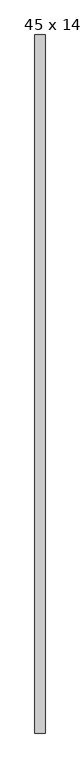
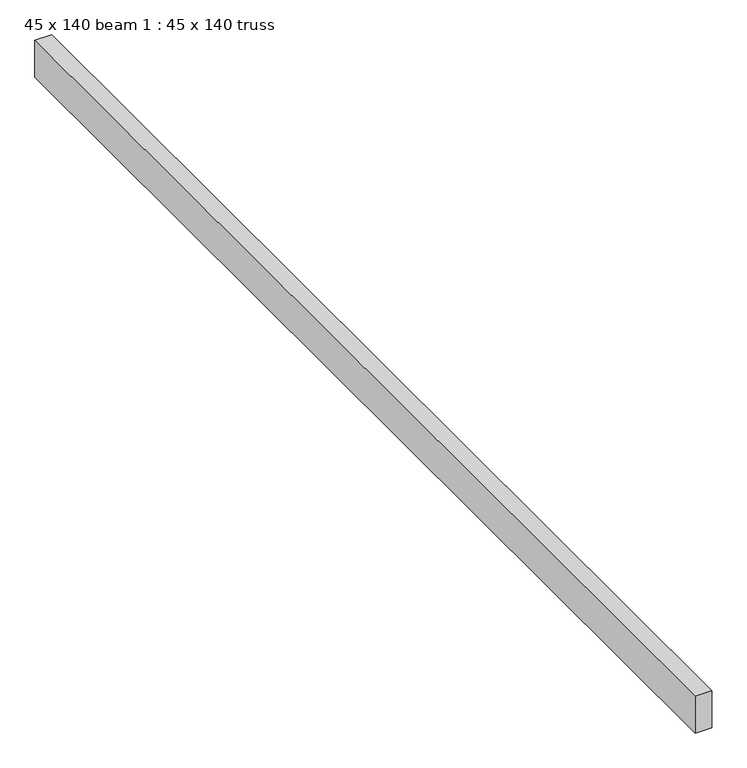
"""IFC4 building model written with IfcOpenShell, lengths in millimetres: proxy geometry, 45 x 140 beam 1 : 45 x 140 truss."""

from ifc_helpers import new_model, si_unit, frame, origin, place, context, project, spatial, polyline, outline, extrude, source, transform, mapped, element, save


def proxy_45_x_140_beam_1_45_x_140_truss_5aa82c00(model_context):
    return source(origin(), model_context, "Body", "SweptSolid", [
        extrude(outline(polyline([(-1198.2922626, -4556.1655637), (-1243.2922626, -4556.1655637), (-1243.2922626, -1466.1655637), (-1198.2922626, -1466.1655637), (-1198.2922626, -4556.1655637)])), frame((0.0, 0.0, 3679.1177703), z_axis=(0.0, 0.0, 1.0), x_axis=(1.0, 0.0, 0.0)), (0.0, 0.0, 1.0), 105.1275103),
    ])


if __name__ == "__main__":
    model = new_model("IFC4")
    model_context = context("Model", 3, world=origin())
    ifc_project = project(units=[si_unit("LENGTHUNIT", "METRE", prefix="MILLI")], contexts=[model_context])
    site = spatial("IfcSite", under=ifc_project)
    building = spatial("IfcBuilding", under=site)
    placement = place(None, origin())
    proxy_45_x_140_beam_1_45_x_140_truss_shape = proxy_45_x_140_beam_1_45_x_140_truss_5aa82c00(model_context)
    element("IfcBuildingElementProxy", 1, Name="45 x 140 beam 1 : 45 x 140 truss", ObjectType="45 x 140 beam 1 : 45 x 140 truss", at=placement, inside=building, context=model_context, shape_type="MappedRepresentation", body=[
        mapped(proxy_45_x_140_beam_1_45_x_140_truss_shape, transform((0.0, 0.0, 0.0), x_axis=(1.0, 0.0, 0.0), y_axis=(0.0, 1.0, 0.0), z_axis=(0.0, 0.0, 1.0))),
    ])
    save(model, "model.ifc")
